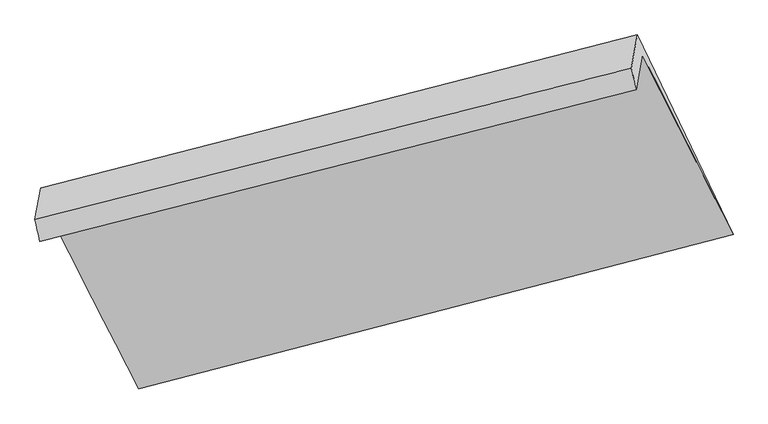
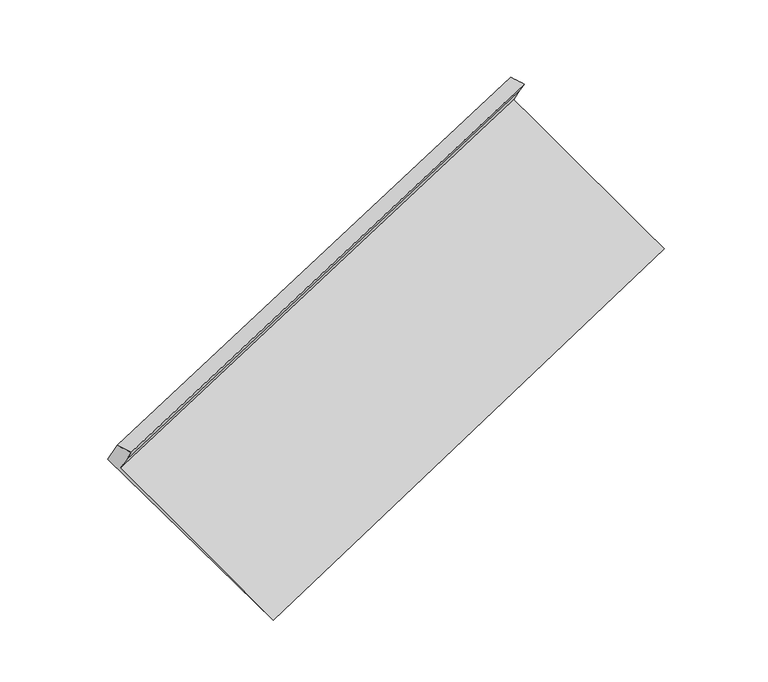
"""IFC4 building model written with IfcOpenShell, lengths in millimetres: proxy geometry."""

from ifc_helpers import new_model, si_unit, frame, origin, place, context, project, spatial, source, transform, mapped, element, save
from ifc_brep_helpers import plane_surface, spline_surface, advanced_brep


def generic_models_c3918d08(model_context):
    return source(origin(), model_context, "Body", "AdvancedBrep", [
        advanced_brep(
        [(-5150.6544561, -1916.0684883, 1372.6196484), (-5127.6308625, -1792.2441929, 1213.3202746), (-754.5645982, -670.1524793, 2691.6460407), (-778.1740744, -797.1277375, 2854.9991134), (-5173.6780498, -2039.8927836, 1531.9190222), (-801.7835506, -924.1029957, 3018.3521861), (-5210.6035976, -1878.6450672, 1517.6028144), (-836.6259298, -766.9900188, 3001.1231032), (-5167.8830994, -1648.8879038, 1222.0213039), (-791.2240173, -522.8118116, 2686.9889877), (-4449.6669989, -3122.0059787, 253.4212132), (-89.7419274, -1989.7137529, 1762.0307239)],
        [
            (0, 1),
            (1, 2),
            (2, 3),
            (3, 0),
            (4, 0),
            (3, 5),
            (5, 4),
            (6, 4),
            (5, 7),
            (7, 6),
            (8, 6),
            (7, 9),
            (9, 8),
            (10, 8),
            (9, 11),
            (11, 10),
            (1, 10),
            (11, 2),
        ],
        [
            plane_surface(frame((-5139.1426593, -1854.1563406, 1292.9699615), z_axis=(0.3750350408965985, -0.7573891316151035, -0.534518869087899), x_axis=(0.11337568701600274, 0.6097512292678896, -0.7844420896407504))),
            plane_surface(frame((-5162.166253, -1977.9806359, 1452.2693353), z_axis=(0.37503504089660566, -0.7573891316150686, -0.5345188690879437), x_axis=(0.11337568701608264, 0.6097512292679585, -0.7844420896406853))),
            spline_surface(1, 1, [[(-5210.6035976, -1878.6450672, 1517.6028144), (-836.6259298, -766.9900188, 3001.1231032)], [(-5173.6780498, -2039.8927836, 1531.9190222), (-801.7835506, -924.1029957, 3018.3521861)]], [2, 2], [2, 2], [0.0, 1.0], [0.0, 1.0]),
            plane_surface(frame((-5189.2433485, -1763.7664855, 1369.8120591), z_axis=(-0.3739754421389498, 0.7576575879395683, 0.534880685867954), x_axis=(-0.11337568701608239, -0.609751229267958, 0.7844420896406857))),
            spline_surface(1, 1, [[(-4449.6669989, -3122.0059787, 253.4212132), (-89.7419274, -1989.7137529, 1762.0307239)], [(-5167.8830994, -1648.8879038, 1222.0213039), (-791.2240173, -522.8118116, 2686.9889877)]], [2, 2], [2, 2], [0.0, 1.0], [0.0, 1.0]),
            spline_surface(1, 1, [[(-5127.6308625, -1792.2441929, 1213.3202746), (-754.5645982, -670.1524793, 2691.6460407)], [(-4449.6669989, -3122.0059787, 253.4212132), (-89.7419274, -1989.7137529, 1762.0307239)]], [2, 2], [2, 2], [0.0, 1.0], [0.0, 1.0]),
            plane_surface(frame((-654.7880047, -974.7542117, 2632.0282083), z_axis=(0.9176647421270459, 0.2383701145142301, 0.3179168280594399), x_axis=(-0.11337568701608239, -0.609751229267958, 0.7844420896406857))),
            plane_surface(frame((-5025.8925216, -2096.3351853, 1147.6569256), z_axis=(-0.9176647421271299, -0.2383701145140466, -0.31791682805933436), x_axis=(-0.11337568701610369, -0.609751229267956, 0.7844420896406841))),
        ],
        [
            (0, [[1, 2, 3, 4]]),
            (1, [[5, -4, 6, 7]]),
            (2, [[8, -7, 9, 10]]),
            (3, [[11, -10, 12, 13]]),
            (4, [[14, -13, 15, 16]]),
            (5, [[17, -16, 18, -2]]),
            (6, [[-12, -9, -6, -3, -18, -15]]),
            (7, [[-1, -5, -8, -11, -14, -17]]),
        ],
    ),
    ])


if __name__ == "__main__":
    model = new_model("IFC4")
    model_context = context("Model", 3, world=origin())
    ifc_project = project(units=[si_unit("LENGTHUNIT", "METRE", prefix="MILLI")], contexts=[model_context])
    site = spatial("IfcSite", under=ifc_project)
    building = spatial("IfcBuilding", under=site)
    placement = place(None, origin())
    generic_models_shape = generic_models_c3918d08(model_context)
    element("IfcBuildingElementProxy", 1, Name="Generic Models", at=placement, inside=building, context=model_context, shape_type="MappedRepresentation", body=[
        mapped(generic_models_shape, transform((0.0, 0.0, 0.0), x_axis=(1.0, 0.0, 0.0), y_axis=(0.0, 1.0, 0.0), z_axis=(0.0, 0.0, 1.0))),
    ])
    save(model, "model.ifc")
